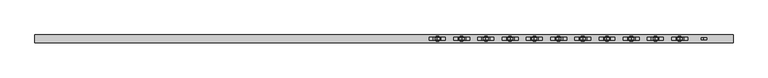
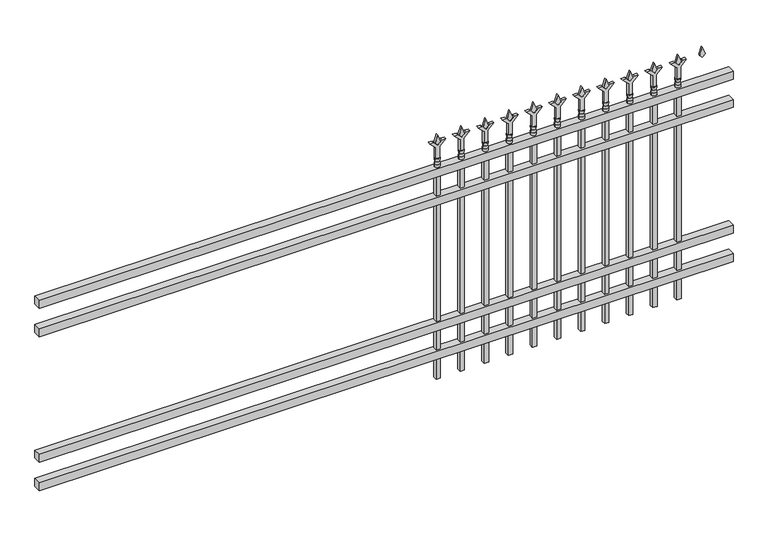
"""IFC4 building model written with IfcOpenShell, lengths in millimetres: railing geometry."""

from ifc_helpers import new_model, si_unit, frame, origin, place, context, project, spatial, polyline, circle_curve, outline, extrude, source, transform, mapped, element, save
from ifc_brep_helpers import plane_surface, cylinder_surface, revolved_surface, advanced_brep


def railing_22b94af2(model_context):
    return source(origin(), model_context, "Body", "SolidModel", [
        extrude(outline(polyline([(-79633.318087, -6748.7195174), (-79633.318087, -6713.7945174), (-76483.718087, -6713.7945174), (-76483.718087, -6748.7195174), (-79633.318087, -6748.7195174)])), frame((0.0, 0.0, 1028.7), z_axis=(0.0, 0.0, 1.0), x_axis=(1.0, 0.0, 0.0)), (0.0, 0.0, 1.0), 38.1),
        extrude(outline(polyline([(-79633.318087, -6748.7195174), (-79633.318087, -6713.7945174), (-76483.718087, -6713.7945174), (-76483.718087, -6748.7195174), (-79633.318087, -6748.7195174)])), frame((0.0, 0.0, 892.175), z_axis=(0.0, 0.0, 1.0), x_axis=(1.0, 0.0, 0.0)), (0.0, 0.0, 1.0), 38.1),
        extrude(outline(polyline([(-79633.318087, -6748.7195174), (-79633.318087, -6713.7945174), (-76483.718087, -6713.7945174), (-76483.718087, -6748.7195174), (-79633.318087, -6748.7195174)])), frame((0.0, 0.0, 288.925), z_axis=(0.0, 0.0, 1.0), x_axis=(1.0, 0.0, 0.0)), (0.0, 0.0, 1.0), 38.1),
        extrude(outline(polyline([(-79633.318087, -6748.7195174), (-79633.318087, -6713.7945174), (-76483.718087, -6713.7945174), (-76483.718087, -6748.7195174), (-79633.318087, -6748.7195174)])), frame((0.0, 0.0, 152.4), z_axis=(0.0, 0.0, 1.0), x_axis=(1.0, 0.0, 0.0)), (0.0, 0.0, 1.0), 38.1),
        extrude(outline(polyline([(1183.48125, -76712.8472536), (1219.2, -76724.7535036), (1183.48125, -76736.6597536), (1171.575, -76724.7535036), (1183.48125, -76712.8472536)])), frame((0.0, -6736.0195174, 0.0), z_axis=(0.0, 1.0, 0.0), x_axis=(0.0, 0.0, 1.0)), (0.0, 0.0, 1.0), 9.525),
        extrude(outline(polyline([(1108.075, -76716.0222536), (1162.3457378, -76716.0222536), (1189.5355122, -76688.8324791), (1189.5355122, -76706.7929914), (1171.575, -76724.7535036), (1189.5355122, -76742.7140159), (1189.5355122, -76760.6745281), (1162.3457378, -76733.4847536), (1108.075, -76733.4847536), (1108.075, -76716.0222536)])), frame((0.0, -6737.6070174, 0.0), z_axis=(0.0, 1.0, 0.0), x_axis=(0.0, 0.0, 1.0)), (0.0, 0.0, 1.0), 12.7),
        advanced_brep(
        [(-76712.8472536, -6731.2570174, 1079.5), (-76736.6597536, -6731.2570174, 1079.5), (-76736.6597536, -6731.2570174, 1066.8), (-76712.8472536, -6731.2570174, 1066.8), (-76715.0525855, -6731.2570174, 1092.0070585), (-76734.4544218, -6731.2570174, 1092.0070585), (-76712.8472536, -6731.2570174, 1108.075), (-76736.6597536, -6731.2570174, 1108.075), (-76724.7535036, -6731.2570174, 1108.075), (-76724.7535036, -6731.2570174, 1066.8)],
        [
            (0, 1, circle_curve(frame((-76724.7535036, -6731.2570174, 1079.5), z_axis=(0.0, 0.0, -1.0), x_axis=(-1.0, 0.0, 0.0)), 11.90625)),
            (1, 2),
            (2, 3, circle_curve(frame((-76724.7535036, -6731.2570174, 1066.8), z_axis=(0.0, 0.0, 1.0), x_axis=(-1.0, 0.0, 0.0)), 11.90625)),
            (3, 0),
            (1, 0, circle_curve(frame((-76724.7535036, -6731.2570174, 1079.5), z_axis=(0.0, 0.0, -1.0), x_axis=(-1.0, 0.0, 0.0)), 11.90625)),
            (3, 2, circle_curve(frame((-76724.7535036, -6731.2570174, 1066.8), z_axis=(0.0, 0.0, 1.0), x_axis=(-1.0, 0.0, 0.0)), 11.90625)),
            (4, 5, circle_curve(frame((-76724.7535036, -6731.2570174, 1092.0070585), z_axis=(0.0, 0.0, -1.0), x_axis=(-1.0, 0.0, 0.0)), 9.7009181)),
            (5, 1),
            (0, 4),
            (5, 4, circle_curve(frame((-76724.7535036, -6731.2570174, 1092.0070585), z_axis=(0.0, 0.0, -1.0), x_axis=(-1.0, 0.0, 0.0)), 9.7009181)),
            (6, 7, circle_curve(frame((-76724.7535036, -6731.2570174, 1108.075), z_axis=(0.0, 0.0, -1.0), x_axis=(-1.0, 0.0, 0.0)), 11.90625)),
            (7, 5),
            (4, 6),
            (7, 6, circle_curve(frame((-76724.7535036, -6731.2570174, 1108.075), z_axis=(0.0, 0.0, -1.0), x_axis=(-1.0, 0.0, 0.0)), 11.90625)),
            (8, 7),
            (6, 8),
            (2, 9),
            (9, 3),
        ],
        [
            cylinder_surface(frame((-76724.7535036, -6731.2570174, 1066.8), z_axis=(0.0, 0.0, 1.0), x_axis=(-1.0, 0.0, 0.0)), 11.90625),
            revolved_surface(polyline([(-76736.6597536, -6731.2570174, 1079.5), (-76734.4544218, -6731.2570174, 1092.0070585)]), (-76724.7535036, -6731.2570174, 1066.8), (0.0, 0.0, 1.0)),
            revolved_surface(polyline([(-76734.4544218, -6731.2570174, 1092.0070585), (-76736.6597536, -6731.2570174, 1108.075)]), (-76724.7535036, -6731.2570174, 1066.8), (0.0, 0.0, 1.0)),
            plane_surface(frame((-76724.7535036, -6731.2570174, 1108.075), z_axis=(0.0, 0.0, 1.0), x_axis=(-1.0, 0.0, 0.0))),
            plane_surface(frame((-76724.7535036, -6731.2570174, 1066.8), z_axis=(0.0, 0.0, -1.0), x_axis=(-1.0, 0.0, 0.0))),
        ],
        [
            (0, [[1, 2, 3, 4]]),
            (0, [[5, -4, 6, -2]]),
            (1, [[7, 8, -1, 9]]),
            (1, [[10, -9, -5, -8]]),
            (2, [[11, 12, -7, 13]]),
            (2, [[14, -13, -10, -12]]),
            (3, [[15, -11, 16]]),
            (3, [[-16, -14, -15]]),
            (4, [[-3, 17, 18]]),
            (4, [[-6, -18, -17]]),
        ],
    ),
        extrude(outline(polyline([(-76734.2785036, -6721.7320174), (-76715.2285036, -6721.7320174), (-76715.2285036, -6740.7820174), (-76734.2785036, -6740.7820174), (-76734.2785036, -6721.7320174)])), frame((0.0, 0.0, 50.8), z_axis=(0.0, 0.0, 1.0), x_axis=(1.0, 0.0, 0.0)), (0.0, 0.0, 1.0), 1016.0),
        extrude(outline(polyline([(1183.48125, -76822.1201703), (1219.2, -76834.0264203), (1183.48125, -76845.9326703), (1171.575, -76834.0264203), (1183.48125, -76822.1201703)])), frame((0.0, -6736.0195174, 0.0), z_axis=(0.0, 1.0, 0.0), x_axis=(0.0, 0.0, 1.0)), (0.0, 0.0, 1.0), 9.525),
        extrude(outline(polyline([(1108.075, -76825.2951703), (1162.3457378, -76825.2951703), (1189.5355122, -76798.1053958), (1189.5355122, -76816.0659081), (1171.575, -76834.0264203), (1189.5355122, -76851.9869325), (1189.5355122, -76869.9474448), (1162.3457378, -76842.7576703), (1108.075, -76842.7576703), (1108.075, -76825.2951703)])), frame((0.0, -6737.6070174, 0.0), z_axis=(0.0, 1.0, 0.0), x_axis=(0.0, 0.0, 1.0)), (0.0, 0.0, 1.0), 12.7),
        advanced_brep(
        [(-76822.1201703, -6731.2570174, 1079.5), (-76845.9326703, -6731.2570174, 1079.5), (-76845.9326703, -6731.2570174, 1066.8), (-76822.1201703, -6731.2570174, 1066.8), (-76824.3255022, -6731.2570174, 1092.0070585), (-76843.7273384, -6731.2570174, 1092.0070585), (-76822.1201703, -6731.2570174, 1108.075), (-76845.9326703, -6731.2570174, 1108.075), (-76834.0264203, -6731.2570174, 1108.075), (-76834.0264203, -6731.2570174, 1066.8)],
        [
            (0, 1, circle_curve(frame((-76834.0264203, -6731.2570174, 1079.5), z_axis=(0.0, 0.0, -1.0), x_axis=(-1.0, 0.0, 0.0)), 11.90625)),
            (1, 2),
            (2, 3, circle_curve(frame((-76834.0264203, -6731.2570174, 1066.8), z_axis=(0.0, 0.0, 1.0), x_axis=(-1.0, 0.0, 0.0)), 11.90625)),
            (3, 0),
            (1, 0, circle_curve(frame((-76834.0264203, -6731.2570174, 1079.5), z_axis=(0.0, 0.0, -1.0), x_axis=(-1.0, 0.0, 0.0)), 11.90625)),
            (3, 2, circle_curve(frame((-76834.0264203, -6731.2570174, 1066.8), z_axis=(0.0, 0.0, 1.0), x_axis=(-1.0, 0.0, 0.0)), 11.90625)),
            (4, 5, circle_curve(frame((-76834.0264203, -6731.2570174, 1092.0070585), z_axis=(0.0, 0.0, -1.0), x_axis=(-1.0, 0.0, 0.0)), 9.7009181)),
            (5, 1),
            (0, 4),
            (5, 4, circle_curve(frame((-76834.0264203, -6731.2570174, 1092.0070585), z_axis=(0.0, 0.0, -1.0), x_axis=(-1.0, 0.0, 0.0)), 9.7009181)),
            (6, 7, circle_curve(frame((-76834.0264203, -6731.2570174, 1108.075), z_axis=(0.0, 0.0, -1.0), x_axis=(-1.0, 0.0, 0.0)), 11.90625)),
            (7, 5),
            (4, 6),
            (7, 6, circle_curve(frame((-76834.0264203, -6731.2570174, 1108.075), z_axis=(0.0, 0.0, -1.0), x_axis=(-1.0, 0.0, 0.0)), 11.90625)),
            (8, 7),
            (6, 8),
            (2, 9),
            (9, 3),
        ],
        [
            cylinder_surface(frame((-76834.0264203, -6731.2570174, 1066.8), z_axis=(0.0, 0.0, 1.0), x_axis=(-1.0, 0.0, 0.0)), 11.90625),
            revolved_surface(polyline([(-76845.9326703, -6731.2570174, 1079.5), (-76843.7273384, -6731.2570174, 1092.0070585)]), (-76834.0264203, -6731.2570174, 1066.8), (0.0, 0.0, 1.0)),
            revolved_surface(polyline([(-76843.7273384, -6731.2570174, 1092.0070585), (-76845.9326703, -6731.2570174, 1108.075)]), (-76834.0264203, -6731.2570174, 1066.8), (0.0, 0.0, 1.0)),
            plane_surface(frame((-76834.0264203, -6731.2570174, 1108.075), z_axis=(0.0, 0.0, 1.0), x_axis=(-1.0, 0.0, 0.0))),
            plane_surface(frame((-76834.0264203, -6731.2570174, 1066.8), z_axis=(0.0, 0.0, -1.0), x_axis=(-1.0, 0.0, 0.0))),
        ],
        [
            (0, [[1, 2, 3, 4]]),
            (0, [[5, -4, 6, -2]]),
            (1, [[7, 8, -1, 9]]),
            (1, [[10, -9, -5, -8]]),
            (2, [[11, 12, -7, 13]]),
            (2, [[14, -13, -10, -12]]),
            (3, [[15, -11, 16]]),
            (3, [[-16, -14, -15]]),
            (4, [[-3, 17, 18]]),
            (4, [[-6, -18, -17]]),
        ],
    ),
        extrude(outline(polyline([(-76843.5514203, -6721.7320174), (-76824.5014203, -6721.7320174), (-76824.5014203, -6740.7820174), (-76843.5514203, -6740.7820174), (-76843.5514203, -6721.7320174)])), frame((0.0, 0.0, 50.8), z_axis=(0.0, 0.0, 1.0), x_axis=(1.0, 0.0, 0.0)), (0.0, 0.0, 1.0), 1016.0),
        extrude(outline(polyline([(1183.48125, -76931.393087), (1219.2, -76943.299337), (1183.48125, -76955.205587), (1171.575, -76943.299337), (1183.48125, -76931.393087)])), frame((0.0, -6736.0195174, 0.0), z_axis=(0.0, 1.0, 0.0), x_axis=(0.0, 0.0, 1.0)), (0.0, 0.0, 1.0), 9.525),
        extrude(outline(polyline([(1108.075, -76934.568087), (1162.3457378, -76934.568087), (1189.5355122, -76907.3783125), (1189.5355122, -76925.3388247), (1171.575, -76943.299337), (1189.5355122, -76961.2598492), (1189.5355122, -76979.2203614), (1162.3457378, -76952.030587), (1108.075, -76952.030587), (1108.075, -76934.568087)])), frame((0.0, -6737.6070174, 0.0), z_axis=(0.0, 1.0, 0.0), x_axis=(0.0, 0.0, 1.0)), (0.0, 0.0, 1.0), 12.7),
        advanced_brep(
        [(-76931.393087, -6731.2570174, 1079.5), (-76955.205587, -6731.2570174, 1079.5), (-76955.205587, -6731.2570174, 1066.8), (-76931.393087, -6731.2570174, 1066.8), (-76933.5984188, -6731.2570174, 1092.0070585), (-76953.0002551, -6731.2570174, 1092.0070585), (-76931.393087, -6731.2570174, 1108.075), (-76955.205587, -6731.2570174, 1108.075), (-76943.299337, -6731.2570174, 1108.075), (-76943.299337, -6731.2570174, 1066.8)],
        [
            (0, 1, circle_curve(frame((-76943.299337, -6731.2570174, 1079.5), z_axis=(0.0, 0.0, -1.0), x_axis=(-1.0, 0.0, 0.0)), 11.90625)),
            (1, 2),
            (2, 3, circle_curve(frame((-76943.299337, -6731.2570174, 1066.8), z_axis=(0.0, 0.0, 1.0), x_axis=(-1.0, 0.0, 0.0)), 11.90625)),
            (3, 0),
            (1, 0, circle_curve(frame((-76943.299337, -6731.2570174, 1079.5), z_axis=(0.0, 0.0, -1.0), x_axis=(-1.0, 0.0, 0.0)), 11.90625)),
            (3, 2, circle_curve(frame((-76943.299337, -6731.2570174, 1066.8), z_axis=(0.0, 0.0, 1.0), x_axis=(-1.0, 0.0, 0.0)), 11.90625)),
            (4, 5, circle_curve(frame((-76943.299337, -6731.2570174, 1092.0070585), z_axis=(0.0, 0.0, -1.0), x_axis=(-1.0, 0.0, 0.0)), 9.7009181)),
            (5, 1),
            (0, 4),
            (5, 4, circle_curve(frame((-76943.299337, -6731.2570174, 1092.0070585), z_axis=(0.0, 0.0, -1.0), x_axis=(-1.0, 0.0, 0.0)), 9.7009181)),
            (6, 7, circle_curve(frame((-76943.299337, -6731.2570174, 1108.075), z_axis=(0.0, 0.0, -1.0), x_axis=(-1.0, 0.0, 0.0)), 11.90625)),
            (7, 5),
            (4, 6),
            (7, 6, circle_curve(frame((-76943.299337, -6731.2570174, 1108.075), z_axis=(0.0, 0.0, -1.0), x_axis=(-1.0, 0.0, 0.0)), 11.90625)),
            (8, 7),
            (6, 8),
            (2, 9),
            (9, 3),
        ],
        [
            cylinder_surface(frame((-76943.299337, -6731.2570174, 1066.8), z_axis=(0.0, 0.0, 1.0), x_axis=(-1.0, 0.0, 0.0)), 11.90625),
            revolved_surface(polyline([(-76955.205587, -6731.2570174, 1079.5), (-76953.0002551, -6731.2570174, 1092.0070585)]), (-76943.299337, -6731.2570174, 1066.8), (0.0, 0.0, 1.0)),
            revolved_surface(polyline([(-76953.0002551, -6731.2570174, 1092.0070585), (-76955.205587, -6731.2570174, 1108.075)]), (-76943.299337, -6731.2570174, 1066.8), (0.0, 0.0, 1.0)),
            plane_surface(frame((-76943.299337, -6731.2570174, 1108.075), z_axis=(0.0, 0.0, 1.0), x_axis=(-1.0, 0.0, 0.0))),
            plane_surface(frame((-76943.299337, -6731.2570174, 1066.8), z_axis=(0.0, 0.0, -1.0), x_axis=(-1.0, 0.0, 0.0))),
        ],
        [
            (0, [[1, 2, 3, 4]]),
            (0, [[5, -4, 6, -2]]),
            (1, [[7, 8, -1, 9]]),
            (1, [[10, -9, -5, -8]]),
            (2, [[11, 12, -7, 13]]),
            (2, [[14, -13, -10, -12]]),
            (3, [[15, -11, 16]]),
            (3, [[-16, -14, -15]]),
            (4, [[-3, 17, 18]]),
            (4, [[-6, -18, -17]]),
        ],
    ),
        extrude(outline(polyline([(-76952.824337, -6721.7320174), (-76933.774337, -6721.7320174), (-76933.774337, -6740.7820174), (-76952.824337, -6740.7820174), (-76952.824337, -6721.7320174)])), frame((0.0, 0.0, 50.8), z_axis=(0.0, 0.0, 1.0), x_axis=(1.0, 0.0, 0.0)), (0.0, 0.0, 1.0), 1016.0),
        extrude(outline(polyline([(1183.48125, -77040.6660036), (1219.2, -77052.5722536), (1183.48125, -77064.4785036), (1171.575, -77052.5722536), (1183.48125, -77040.6660036)])), frame((0.0, -6736.0195174, 0.0), z_axis=(0.0, 1.0, 0.0), x_axis=(0.0, 0.0, 1.0)), (0.0, 0.0, 1.0), 9.525),
        extrude(outline(polyline([(1108.075, -77043.8410036), (1162.3457378, -77043.8410036), (1189.5355122, -77016.6512291), (1189.5355122, -77034.6117414), (1171.575, -77052.5722536), (1189.5355122, -77070.5327659), (1189.5355122, -77088.4932781), (1162.3457378, -77061.3035036), (1108.075, -77061.3035036), (1108.075, -77043.8410036)])), frame((0.0, -6737.6070174, 0.0), z_axis=(0.0, 1.0, 0.0), x_axis=(0.0, 0.0, 1.0)), (0.0, 0.0, 1.0), 12.7),
        advanced_brep(
        [(-77040.6660036, -6731.2570174, 1079.5), (-77064.4785036, -6731.2570174, 1079.5), (-77064.4785036, -6731.2570174, 1066.8), (-77040.6660036, -6731.2570174, 1066.8), (-77042.8713355, -6731.2570174, 1092.0070585), (-77062.2731718, -6731.2570174, 1092.0070585), (-77040.6660036, -6731.2570174, 1108.075), (-77064.4785036, -6731.2570174, 1108.075), (-77052.5722536, -6731.2570174, 1108.075), (-77052.5722536, -6731.2570174, 1066.8)],
        [
            (0, 1, circle_curve(frame((-77052.5722536, -6731.2570174, 1079.5), z_axis=(0.0, 0.0, -1.0), x_axis=(-1.0, 0.0, 0.0)), 11.90625)),
            (1, 2),
            (2, 3, circle_curve(frame((-77052.5722536, -6731.2570174, 1066.8), z_axis=(0.0, 0.0, 1.0), x_axis=(-1.0, 0.0, 0.0)), 11.90625)),
            (3, 0),
            (1, 0, circle_curve(frame((-77052.5722536, -6731.2570174, 1079.5), z_axis=(0.0, 0.0, -1.0), x_axis=(-1.0, 0.0, 0.0)), 11.90625)),
            (3, 2, circle_curve(frame((-77052.5722536, -6731.2570174, 1066.8), z_axis=(0.0, 0.0, 1.0), x_axis=(-1.0, 0.0, 0.0)), 11.90625)),
            (4, 5, circle_curve(frame((-77052.5722536, -6731.2570174, 1092.0070585), z_axis=(0.0, 0.0, -1.0), x_axis=(-1.0, 0.0, 0.0)), 9.7009181)),
            (5, 1),
            (0, 4),
            (5, 4, circle_curve(frame((-77052.5722536, -6731.2570174, 1092.0070585), z_axis=(0.0, 0.0, -1.0), x_axis=(-1.0, 0.0, 0.0)), 9.7009181)),
            (6, 7, circle_curve(frame((-77052.5722536, -6731.2570174, 1108.075), z_axis=(0.0, 0.0, -1.0), x_axis=(-1.0, 0.0, 0.0)), 11.90625)),
            (7, 5),
            (4, 6),
            (7, 6, circle_curve(frame((-77052.5722536, -6731.2570174, 1108.075), z_axis=(0.0, 0.0, -1.0), x_axis=(-1.0, 0.0, 0.0)), 11.90625)),
            (8, 7),
            (6, 8),
            (2, 9),
            (9, 3),
        ],
        [
            cylinder_surface(frame((-77052.5722536, -6731.2570174, 1066.8), z_axis=(0.0, 0.0, 1.0), x_axis=(-1.0, 0.0, 0.0)), 11.90625),
            revolved_surface(polyline([(-77064.4785036, -6731.2570174, 1079.5), (-77062.2731718, -6731.2570174, 1092.0070585)]), (-77052.5722536, -6731.2570174, 1066.8), (0.0, 0.0, 1.0)),
            revolved_surface(polyline([(-77062.2731718, -6731.2570174, 1092.0070585), (-77064.4785036, -6731.2570174, 1108.075)]), (-77052.5722536, -6731.2570174, 1066.8), (0.0, 0.0, 1.0)),
            plane_surface(frame((-77052.5722536, -6731.2570174, 1108.075), z_axis=(0.0, 0.0, 1.0), x_axis=(-1.0, 0.0, 0.0))),
            plane_surface(frame((-77052.5722536, -6731.2570174, 1066.8), z_axis=(0.0, 0.0, -1.0), x_axis=(-1.0, 0.0, 0.0))),
        ],
        [
            (0, [[1, 2, 3, 4]]),
            (0, [[5, -4, 6, -2]]),
            (1, [[7, 8, -1, 9]]),
            (1, [[10, -9, -5, -8]]),
            (2, [[11, 12, -7, 13]]),
            (2, [[14, -13, -10, -12]]),
            (3, [[15, -11, 16]]),
            (3, [[-16, -14, -15]]),
            (4, [[-3, 17, 18]]),
            (4, [[-6, -18, -17]]),
        ],
    ),
        extrude(outline(polyline([(-77062.0972536, -6721.7320174), (-77043.0472536, -6721.7320174), (-77043.0472536, -6740.7820174), (-77062.0972536, -6740.7820174), (-77062.0972536, -6721.7320174)])), frame((0.0, 0.0, 50.8), z_axis=(0.0, 0.0, 1.0), x_axis=(1.0, 0.0, 0.0)), (0.0, 0.0, 1.0), 1016.0),
        extrude(outline(polyline([(1183.48125, -77149.9389203), (1219.2, -77161.8451703), (1183.48125, -77173.7514203), (1171.575, -77161.8451703), (1183.48125, -77149.9389203)])), frame((0.0, -6736.0195174, 0.0), z_axis=(0.0, 1.0, 0.0), x_axis=(0.0, 0.0, 1.0)), (0.0, 0.0, 1.0), 9.525),
        extrude(outline(polyline([(1108.075, -77153.1139203), (1162.3457378, -77153.1139203), (1189.5355122, -77125.9241458), (1189.5355122, -77143.8846581), (1171.575, -77161.8451703), (1189.5355122, -77179.8056825), (1189.5355122, -77197.7661948), (1162.3457378, -77170.5764203), (1108.075, -77170.5764203), (1108.075, -77153.1139203)])), frame((0.0, -6737.6070174, 0.0), z_axis=(0.0, 1.0, 0.0), x_axis=(0.0, 0.0, 1.0)), (0.0, 0.0, 1.0), 12.7),
        advanced_brep(
        [(-77149.9389203, -6731.2570174, 1079.5), (-77173.7514203, -6731.2570174, 1079.5), (-77173.7514203, -6731.2570174, 1066.8), (-77149.9389203, -6731.2570174, 1066.8), (-77152.1442522, -6731.2570174, 1092.0070585), (-77171.5460884, -6731.2570174, 1092.0070585), (-77149.9389203, -6731.2570174, 1108.075), (-77173.7514203, -6731.2570174, 1108.075), (-77161.8451703, -6731.2570174, 1108.075), (-77161.8451703, -6731.2570174, 1066.8)],
        [
            (0, 1, circle_curve(frame((-77161.8451703, -6731.2570174, 1079.5), z_axis=(0.0, 0.0, -1.0), x_axis=(-1.0, 0.0, 0.0)), 11.90625)),
            (1, 2),
            (2, 3, circle_curve(frame((-77161.8451703, -6731.2570174, 1066.8), z_axis=(0.0, 0.0, 1.0), x_axis=(-1.0, 0.0, 0.0)), 11.90625)),
            (3, 0),
            (1, 0, circle_curve(frame((-77161.8451703, -6731.2570174, 1079.5), z_axis=(0.0, 0.0, -1.0), x_axis=(-1.0, 0.0, 0.0)), 11.90625)),
            (3, 2, circle_curve(frame((-77161.8451703, -6731.2570174, 1066.8), z_axis=(0.0, 0.0, 1.0), x_axis=(-1.0, 0.0, 0.0)), 11.90625)),
            (4, 5, circle_curve(frame((-77161.8451703, -6731.2570174, 1092.0070585), z_axis=(0.0, 0.0, -1.0), x_axis=(-1.0, 0.0, 0.0)), 9.7009181)),
            (5, 1),
            (0, 4),
            (5, 4, circle_curve(frame((-77161.8451703, -6731.2570174, 1092.0070585), z_axis=(0.0, 0.0, -1.0), x_axis=(-1.0, 0.0, 0.0)), 9.7009181)),
            (6, 7, circle_curve(frame((-77161.8451703, -6731.2570174, 1108.075), z_axis=(0.0, 0.0, -1.0), x_axis=(-1.0, 0.0, 0.0)), 11.90625)),
            (7, 5),
            (4, 6),
            (7, 6, circle_curve(frame((-77161.8451703, -6731.2570174, 1108.075), z_axis=(0.0, 0.0, -1.0), x_axis=(-1.0, 0.0, 0.0)), 11.90625)),
            (8, 7),
            (6, 8),
            (2, 9),
            (9, 3),
        ],
        [
            cylinder_surface(frame((-77161.8451703, -6731.2570174, 1066.8), z_axis=(0.0, 0.0, 1.0), x_axis=(-1.0, 0.0, 0.0)), 11.90625),
            revolved_surface(polyline([(-77173.7514203, -6731.2570174, 1079.5), (-77171.5460884, -6731.2570174, 1092.0070585)]), (-77161.8451703, -6731.2570174, 1066.8), (0.0, 0.0, 1.0)),
            revolved_surface(polyline([(-77171.5460884, -6731.2570174, 1092.0070585), (-77173.7514203, -6731.2570174, 1108.075)]), (-77161.8451703, -6731.2570174, 1066.8), (0.0, 0.0, 1.0)),
            plane_surface(frame((-77161.8451703, -6731.2570174, 1108.075), z_axis=(0.0, 0.0, 1.0), x_axis=(-1.0, 0.0, 0.0))),
            plane_surface(frame((-77161.8451703, -6731.2570174, 1066.8), z_axis=(0.0, 0.0, -1.0), x_axis=(-1.0, 0.0, 0.0))),
        ],
        [
            (0, [[1, 2, 3, 4]]),
            (0, [[5, -4, 6, -2]]),
            (1, [[7, 8, -1, 9]]),
            (1, [[10, -9, -5, -8]]),
            (2, [[11, 12, -7, 13]]),
            (2, [[14, -13, -10, -12]]),
            (3, [[15, -11, 16]]),
            (3, [[-16, -14, -15]]),
            (4, [[-3, 17, 18]]),
            (4, [[-6, -18, -17]]),
        ],
    ),
        extrude(outline(polyline([(-77171.3701703, -6721.7320174), (-77152.3201703, -6721.7320174), (-77152.3201703, -6740.7820174), (-77171.3701703, -6740.7820174), (-77171.3701703, -6721.7320174)])), frame((0.0, 0.0, 50.8), z_axis=(0.0, 0.0, 1.0), x_axis=(1.0, 0.0, 0.0)), (0.0, 0.0, 1.0), 1016.0),
        extrude(outline(polyline([(1183.48125, -77259.211837), (1219.2, -77271.118087), (1183.48125, -77283.024337), (1171.575, -77271.118087), (1183.48125, -77259.211837)])), frame((0.0, -6736.0195174, 0.0), z_axis=(0.0, 1.0, 0.0), x_axis=(0.0, 0.0, 1.0)), (0.0, 0.0, 1.0), 9.525),
        extrude(outline(polyline([(1108.075, -77262.386837), (1162.3457378, -77262.386837), (1189.5355122, -77235.1970625), (1189.5355122, -77253.1575747), (1171.575, -77271.118087), (1189.5355122, -77289.0785992), (1189.5355122, -77307.0391114), (1162.3457378, -77279.849337), (1108.075, -77279.849337), (1108.075, -77262.386837)])), frame((0.0, -6737.6070174, 0.0), z_axis=(0.0, 1.0, 0.0), x_axis=(0.0, 0.0, 1.0)), (0.0, 0.0, 1.0), 12.7),
        advanced_brep(
        [(-77259.211837, -6731.2570174, 1079.5), (-77283.024337, -6731.2570174, 1079.5), (-77283.024337, -6731.2570174, 1066.8), (-77259.211837, -6731.2570174, 1066.8), (-77261.4171688, -6731.2570174, 1092.0070585), (-77280.8190051, -6731.2570174, 1092.0070585), (-77259.211837, -6731.2570174, 1108.075), (-77283.024337, -6731.2570174, 1108.075), (-77271.118087, -6731.2570174, 1108.075), (-77271.118087, -6731.2570174, 1066.8)],
        [
            (0, 1, circle_curve(frame((-77271.118087, -6731.2570174, 1079.5), z_axis=(0.0, 0.0, -1.0), x_axis=(-1.0, 0.0, 0.0)), 11.90625)),
            (1, 2),
            (2, 3, circle_curve(frame((-77271.118087, -6731.2570174, 1066.8), z_axis=(0.0, 0.0, 1.0), x_axis=(-1.0, 0.0, 0.0)), 11.90625)),
            (3, 0),
            (1, 0, circle_curve(frame((-77271.118087, -6731.2570174, 1079.5), z_axis=(0.0, 0.0, -1.0), x_axis=(-1.0, 0.0, 0.0)), 11.90625)),
            (3, 2, circle_curve(frame((-77271.118087, -6731.2570174, 1066.8), z_axis=(0.0, 0.0, 1.0), x_axis=(-1.0, 0.0, 0.0)), 11.90625)),
            (4, 5, circle_curve(frame((-77271.118087, -6731.2570174, 1092.0070585), z_axis=(0.0, 0.0, -1.0), x_axis=(-1.0, 0.0, 0.0)), 9.7009181)),
            (5, 1),
            (0, 4),
            (5, 4, circle_curve(frame((-77271.118087, -6731.2570174, 1092.0070585), z_axis=(0.0, 0.0, -1.0), x_axis=(-1.0, 0.0, 0.0)), 9.7009181)),
            (6, 7, circle_curve(frame((-77271.118087, -6731.2570174, 1108.075), z_axis=(0.0, 0.0, -1.0), x_axis=(-1.0, 0.0, 0.0)), 11.90625)),
            (7, 5),
            (4, 6),
            (7, 6, circle_curve(frame((-77271.118087, -6731.2570174, 1108.075), z_axis=(0.0, 0.0, -1.0), x_axis=(-1.0, 0.0, 0.0)), 11.90625)),
            (8, 7),
            (6, 8),
            (2, 9),
            (9, 3),
        ],
        [
            cylinder_surface(frame((-77271.118087, -6731.2570174, 1066.8), z_axis=(0.0, 0.0, 1.0), x_axis=(-1.0, 0.0, 0.0)), 11.90625),
            revolved_surface(polyline([(-77283.024337, -6731.2570174, 1079.5), (-77280.8190051, -6731.2570174, 1092.0070585)]), (-77271.118087, -6731.2570174, 1066.8), (0.0, 0.0, 1.0)),
            revolved_surface(polyline([(-77280.8190051, -6731.2570174, 1092.0070585), (-77283.024337, -6731.2570174, 1108.075)]), (-77271.118087, -6731.2570174, 1066.8), (0.0, 0.0, 1.0)),
            plane_surface(frame((-77271.118087, -6731.2570174, 1108.075), z_axis=(0.0, 0.0, 1.0), x_axis=(-1.0, 0.0, 0.0))),
            plane_surface(frame((-77271.118087, -6731.2570174, 1066.8), z_axis=(0.0, 0.0, -1.0), x_axis=(-1.0, 0.0, 0.0))),
        ],
        [
            (0, [[1, 2, 3, 4]]),
            (0, [[5, -4, 6, -2]]),
            (1, [[7, 8, -1, 9]]),
            (1, [[10, -9, -5, -8]]),
            (2, [[11, 12, -7, 13]]),
            (2, [[14, -13, -10, -12]]),
            (3, [[15, -11, 16]]),
            (3, [[-16, -14, -15]]),
            (4, [[-3, 17, 18]]),
            (4, [[-6, -18, -17]]),
        ],
    ),
        extrude(outline(polyline([(-77280.643087, -6721.7320174), (-77261.593087, -6721.7320174), (-77261.593087, -6740.7820174), (-77280.643087, -6740.7820174), (-77280.643087, -6721.7320174)])), frame((0.0, 0.0, 50.8), z_axis=(0.0, 0.0, 1.0), x_axis=(1.0, 0.0, 0.0)), (0.0, 0.0, 1.0), 1016.0),
        extrude(outline(polyline([(1183.48125, -77368.4847536), (1219.2, -77380.3910036), (1183.48125, -77392.2972536), (1171.575, -77380.3910036), (1183.48125, -77368.4847536)])), frame((0.0, -6736.0195174, 0.0), z_axis=(0.0, 1.0, 0.0), x_axis=(0.0, 0.0, 1.0)), (0.0, 0.0, 1.0), 9.525),
        extrude(outline(polyline([(1108.075, -77371.6597536), (1162.3457378, -77371.6597536), (1189.5355122, -77344.4699791), (1189.5355122, -77362.4304914), (1171.575, -77380.3910036), (1189.5355122, -77398.3515159), (1189.5355122, -77416.3120281), (1162.3457378, -77389.1222536), (1108.075, -77389.1222536), (1108.075, -77371.6597536)])), frame((0.0, -6737.6070174, 0.0), z_axis=(0.0, 1.0, 0.0), x_axis=(0.0, 0.0, 1.0)), (0.0, 0.0, 1.0), 12.7),
        advanced_brep(
        [(-77368.4847536, -6731.2570174, 1079.5), (-77392.2972536, -6731.2570174, 1079.5), (-77392.2972536, -6731.2570174, 1066.8), (-77368.4847536, -6731.2570174, 1066.8), (-77370.6900855, -6731.2570174, 1092.0070585), (-77390.0919218, -6731.2570174, 1092.0070585), (-77368.4847536, -6731.2570174, 1108.075), (-77392.2972536, -6731.2570174, 1108.075), (-77380.3910036, -6731.2570174, 1108.075), (-77380.3910036, -6731.2570174, 1066.8)],
        [
            (0, 1, circle_curve(frame((-77380.3910036, -6731.2570174, 1079.5), z_axis=(0.0, 0.0, -1.0), x_axis=(-1.0, 0.0, 0.0)), 11.90625)),
            (1, 2),
            (2, 3, circle_curve(frame((-77380.3910036, -6731.2570174, 1066.8), z_axis=(0.0, 0.0, 1.0), x_axis=(-1.0, 0.0, 0.0)), 11.90625)),
            (3, 0),
            (1, 0, circle_curve(frame((-77380.3910036, -6731.2570174, 1079.5), z_axis=(0.0, 0.0, -1.0), x_axis=(-1.0, 0.0, 0.0)), 11.90625)),
            (3, 2, circle_curve(frame((-77380.3910036, -6731.2570174, 1066.8), z_axis=(0.0, 0.0, 1.0), x_axis=(-1.0, 0.0, 0.0)), 11.90625)),
            (4, 5, circle_curve(frame((-77380.3910036, -6731.2570174, 1092.0070585), z_axis=(0.0, 0.0, -1.0), x_axis=(-1.0, 0.0, 0.0)), 9.7009181)),
            (5, 1),
            (0, 4),
            (5, 4, circle_curve(frame((-77380.3910036, -6731.2570174, 1092.0070585), z_axis=(0.0, 0.0, -1.0), x_axis=(-1.0, 0.0, 0.0)), 9.7009181)),
            (6, 7, circle_curve(frame((-77380.3910036, -6731.2570174, 1108.075), z_axis=(0.0, 0.0, -1.0), x_axis=(-1.0, 0.0, 0.0)), 11.90625)),
            (7, 5),
            (4, 6),
            (7, 6, circle_curve(frame((-77380.3910036, -6731.2570174, 1108.075), z_axis=(0.0, 0.0, -1.0), x_axis=(-1.0, 0.0, 0.0)), 11.90625)),
            (8, 7),
            (6, 8),
            (2, 9),
            (9, 3),
        ],
        [
            cylinder_surface(frame((-77380.3910036, -6731.2570174, 1066.8), z_axis=(0.0, 0.0, 1.0), x_axis=(-1.0, 0.0, 0.0)), 11.90625),
            revolved_surface(polyline([(-77392.2972536, -6731.2570174, 1079.5), (-77390.0919218, -6731.2570174, 1092.0070585)]), (-77380.3910036, -6731.2570174, 1066.8), (0.0, 0.0, 1.0)),
            revolved_surface(polyline([(-77390.0919218, -6731.2570174, 1092.0070585), (-77392.2972536, -6731.2570174, 1108.075)]), (-77380.3910036, -6731.2570174, 1066.8), (0.0, 0.0, 1.0)),
            plane_surface(frame((-77380.3910036, -6731.2570174, 1108.075), z_axis=(0.0, 0.0, 1.0), x_axis=(-1.0, 0.0, 0.0))),
            plane_surface(frame((-77380.3910036, -6731.2570174, 1066.8), z_axis=(0.0, 0.0, -1.0), x_axis=(-1.0, 0.0, 0.0))),
        ],
        [
            (0, [[1, 2, 3, 4]]),
            (0, [[5, -4, 6, -2]]),
            (1, [[7, 8, -1, 9]]),
            (1, [[10, -9, -5, -8]]),
            (2, [[11, 12, -7, 13]]),
            (2, [[14, -13, -10, -12]]),
            (3, [[15, -11, 16]]),
            (3, [[-16, -14, -15]]),
            (4, [[-3, 17, 18]]),
            (4, [[-6, -18, -17]]),
        ],
    ),
        extrude(outline(polyline([(-77389.9160036, -6721.7320174), (-77370.8660036, -6721.7320174), (-77370.8660036, -6740.7820174), (-77389.9160036, -6740.7820174), (-77389.9160036, -6721.7320174)])), frame((0.0, 0.0, 50.8), z_axis=(0.0, 0.0, 1.0), x_axis=(1.0, 0.0, 0.0)), (0.0, 0.0, 1.0), 1016.0),
        extrude(outline(polyline([(1183.48125, -77477.7576703), (1219.2, -77489.6639203), (1183.48125, -77501.5701703), (1171.575, -77489.6639203), (1183.48125, -77477.7576703)])), frame((0.0, -6736.0195174, 0.0), z_axis=(0.0, 1.0, 0.0), x_axis=(0.0, 0.0, 1.0)), (0.0, 0.0, 1.0), 9.525),
        extrude(outline(polyline([(1108.075, -77480.9326703), (1162.3457378, -77480.9326703), (1189.5355122, -77453.7428958), (1189.5355122, -77471.7034081), (1171.575, -77489.6639203), (1189.5355122, -77507.6244325), (1189.5355122, -77525.5849448), (1162.3457378, -77498.3951703), (1108.075, -77498.3951703), (1108.075, -77480.9326703)])), frame((0.0, -6737.6070174, 0.0), z_axis=(0.0, 1.0, 0.0), x_axis=(0.0, 0.0, 1.0)), (0.0, 0.0, 1.0), 12.7),
        advanced_brep(
        [(-77477.7576703, -6731.2570174, 1079.5), (-77501.5701703, -6731.2570174, 1079.5), (-77501.5701703, -6731.2570174, 1066.8), (-77477.7576703, -6731.2570174, 1066.8), (-77479.9630022, -6731.2570174, 1092.0070585), (-77499.3648384, -6731.2570174, 1092.0070585), (-77477.7576703, -6731.2570174, 1108.075), (-77501.5701703, -6731.2570174, 1108.075), (-77489.6639203, -6731.2570174, 1108.075), (-77489.6639203, -6731.2570174, 1066.8)],
        [
            (0, 1, circle_curve(frame((-77489.6639203, -6731.2570174, 1079.5), z_axis=(0.0, 0.0, -1.0), x_axis=(-1.0, 0.0, 0.0)), 11.90625)),
            (1, 2),
            (2, 3, circle_curve(frame((-77489.6639203, -6731.2570174, 1066.8), z_axis=(0.0, 0.0, 1.0), x_axis=(-1.0, 0.0, 0.0)), 11.90625)),
            (3, 0),
            (1, 0, circle_curve(frame((-77489.6639203, -6731.2570174, 1079.5), z_axis=(0.0, 0.0, -1.0), x_axis=(-1.0, 0.0, 0.0)), 11.90625)),
            (3, 2, circle_curve(frame((-77489.6639203, -6731.2570174, 1066.8), z_axis=(0.0, 0.0, 1.0), x_axis=(-1.0, 0.0, 0.0)), 11.90625)),
            (4, 5, circle_curve(frame((-77489.6639203, -6731.2570174, 1092.0070585), z_axis=(0.0, 0.0, -1.0), x_axis=(-1.0, 0.0, 0.0)), 9.7009181)),
            (5, 1),
            (0, 4),
            (5, 4, circle_curve(frame((-77489.6639203, -6731.2570174, 1092.0070585), z_axis=(0.0, 0.0, -1.0), x_axis=(-1.0, 0.0, 0.0)), 9.7009181)),
            (6, 7, circle_curve(frame((-77489.6639203, -6731.2570174, 1108.075), z_axis=(0.0, 0.0, -1.0), x_axis=(-1.0, 0.0, 0.0)), 11.90625)),
            (7, 5),
            (4, 6),
            (7, 6, circle_curve(frame((-77489.6639203, -6731.2570174, 1108.075), z_axis=(0.0, 0.0, -1.0), x_axis=(-1.0, 0.0, 0.0)), 11.90625)),
            (8, 7),
            (6, 8),
            (2, 9),
            (9, 3),
        ],
        [
            cylinder_surface(frame((-77489.6639203, -6731.2570174, 1066.8), z_axis=(0.0, 0.0, 1.0), x_axis=(-1.0, 0.0, 0.0)), 11.90625),
            revolved_surface(polyline([(-77501.5701703, -6731.2570174, 1079.5), (-77499.3648384, -6731.2570174, 1092.0070585)]), (-77489.6639203, -6731.2570174, 1066.8), (0.0, 0.0, 1.0)),
            revolved_surface(polyline([(-77499.3648384, -6731.2570174, 1092.0070585), (-77501.5701703, -6731.2570174, 1108.075)]), (-77489.6639203, -6731.2570174, 1066.8), (0.0, 0.0, 1.0)),
            plane_surface(frame((-77489.6639203, -6731.2570174, 1108.075), z_axis=(0.0, 0.0, 1.0), x_axis=(-1.0, 0.0, 0.0))),
            plane_surface(frame((-77489.6639203, -6731.2570174, 1066.8), z_axis=(0.0, 0.0, -1.0), x_axis=(-1.0, 0.0, 0.0))),
        ],
        [
            (0, [[1, 2, 3, 4]]),
            (0, [[5, -4, 6, -2]]),
            (1, [[7, 8, -1, 9]]),
            (1, [[10, -9, -5, -8]]),
            (2, [[11, 12, -7, 13]]),
            (2, [[14, -13, -10, -12]]),
            (3, [[15, -11, 16]]),
            (3, [[-16, -14, -15]]),
            (4, [[-3, 17, 18]]),
            (4, [[-6, -18, -17]]),
        ],
    ),
        extrude(outline(polyline([(-77499.1889203, -6721.7320174), (-77480.1389203, -6721.7320174), (-77480.1389203, -6740.7820174), (-77499.1889203, -6740.7820174), (-77499.1889203, -6721.7320174)])), frame((0.0, 0.0, 50.8), z_axis=(0.0, 0.0, 1.0), x_axis=(1.0, 0.0, 0.0)), (0.0, 0.0, 1.0), 1016.0),
        extrude(outline(polyline([(1183.48125, -77587.030587), (1219.2, -77598.936837), (1183.48125, -77610.843087), (1171.575, -77598.936837), (1183.48125, -77587.030587)])), frame((0.0, -6736.0195174, 0.0), z_axis=(0.0, 1.0, 0.0), x_axis=(0.0, 0.0, 1.0)), (0.0, 0.0, 1.0), 9.525),
        extrude(outline(polyline([(1108.075, -77590.205587), (1162.3457378, -77590.205587), (1189.5355122, -77563.0158125), (1189.5355122, -77580.9763247), (1171.575, -77598.936837), (1189.5355122, -77616.8973492), (1189.5355122, -77634.8578614), (1162.3457378, -77607.668087), (1108.075, -77607.668087), (1108.075, -77590.205587)])), frame((0.0, -6737.6070174, 0.0), z_axis=(0.0, 1.0, 0.0), x_axis=(0.0, 0.0, 1.0)), (0.0, 0.0, 1.0), 12.7),
        advanced_brep(
        [(-77587.030587, -6731.2570174, 1079.5), (-77610.843087, -6731.2570174, 1079.5), (-77610.843087, -6731.2570174, 1066.8), (-77587.030587, -6731.2570174, 1066.8), (-77589.2359188, -6731.2570174, 1092.0070585), (-77608.6377551, -6731.2570174, 1092.0070585), (-77587.030587, -6731.2570174, 1108.075), (-77610.843087, -6731.2570174, 1108.075), (-77598.936837, -6731.2570174, 1108.075), (-77598.936837, -6731.2570174, 1066.8)],
        [
            (0, 1, circle_curve(frame((-77598.936837, -6731.2570174, 1079.5), z_axis=(0.0, 0.0, -1.0), x_axis=(-1.0, 0.0, 0.0)), 11.90625)),
            (1, 2),
            (2, 3, circle_curve(frame((-77598.936837, -6731.2570174, 1066.8), z_axis=(0.0, 0.0, 1.0), x_axis=(-1.0, 0.0, 0.0)), 11.90625)),
            (3, 0),
            (1, 0, circle_curve(frame((-77598.936837, -6731.2570174, 1079.5), z_axis=(0.0, 0.0, -1.0), x_axis=(-1.0, 0.0, 0.0)), 11.90625)),
            (3, 2, circle_curve(frame((-77598.936837, -6731.2570174, 1066.8), z_axis=(0.0, 0.0, 1.0), x_axis=(-1.0, 0.0, 0.0)), 11.90625)),
            (4, 5, circle_curve(frame((-77598.936837, -6731.2570174, 1092.0070585), z_axis=(0.0, 0.0, -1.0), x_axis=(-1.0, 0.0, 0.0)), 9.7009181)),
            (5, 1),
            (0, 4),
            (5, 4, circle_curve(frame((-77598.936837, -6731.2570174, 1092.0070585), z_axis=(0.0, 0.0, -1.0), x_axis=(-1.0, 0.0, 0.0)), 9.7009181)),
            (6, 7, circle_curve(frame((-77598.936837, -6731.2570174, 1108.075), z_axis=(0.0, 0.0, -1.0), x_axis=(-1.0, 0.0, 0.0)), 11.90625)),
            (7, 5),
            (4, 6),
            (7, 6, circle_curve(frame((-77598.936837, -6731.2570174, 1108.075), z_axis=(0.0, 0.0, -1.0), x_axis=(-1.0, 0.0, 0.0)), 11.90625)),
            (8, 7),
            (6, 8),
            (2, 9),
            (9, 3),
        ],
        [
            cylinder_surface(frame((-77598.936837, -6731.2570174, 1066.8), z_axis=(0.0, 0.0, 1.0), x_axis=(-1.0, 0.0, 0.0)), 11.90625),
            revolved_surface(polyline([(-77610.843087, -6731.2570174, 1079.5), (-77608.6377551, -6731.2570174, 1092.0070585)]), (-77598.936837, -6731.2570174, 1066.8), (0.0, 0.0, 1.0)),
            revolved_surface(polyline([(-77608.6377551, -6731.2570174, 1092.0070585), (-77610.843087, -6731.2570174, 1108.075)]), (-77598.936837, -6731.2570174, 1066.8), (0.0, 0.0, 1.0)),
            plane_surface(frame((-77598.936837, -6731.2570174, 1108.075), z_axis=(0.0, 0.0, 1.0), x_axis=(-1.0, 0.0, 0.0))),
            plane_surface(frame((-77598.936837, -6731.2570174, 1066.8), z_axis=(0.0, 0.0, -1.0), x_axis=(-1.0, 0.0, 0.0))),
        ],
        [
            (0, [[1, 2, 3, 4]]),
            (0, [[5, -4, 6, -2]]),
            (1, [[7, 8, -1, 9]]),
            (1, [[10, -9, -5, -8]]),
            (2, [[11, 12, -7, 13]]),
            (2, [[14, -13, -10, -12]]),
            (3, [[15, -11, 16]]),
            (3, [[-16, -14, -15]]),
            (4, [[-3, 17, 18]]),
            (4, [[-6, -18, -17]]),
        ],
    ),
        extrude(outline(polyline([(-77608.461837, -6721.7320174), (-77589.411837, -6721.7320174), (-77589.411837, -6740.7820174), (-77608.461837, -6740.7820174), (-77608.461837, -6721.7320174)])), frame((0.0, 0.0, 50.8), z_axis=(0.0, 0.0, 1.0), x_axis=(1.0, 0.0, 0.0)), (0.0, 0.0, 1.0), 1016.0),
        extrude(outline(polyline([(1183.48125, -77696.3035036), (1219.2, -77708.2097536), (1183.48125, -77720.1160036), (1171.575, -77708.2097536), (1183.48125, -77696.3035036)])), frame((0.0, -6736.0195174, 0.0), z_axis=(0.0, 1.0, 0.0), x_axis=(0.0, 0.0, 1.0)), (0.0, 0.0, 1.0), 9.525),
        extrude(outline(polyline([(1108.075, -77699.4785036), (1162.3457378, -77699.4785036), (1189.5355122, -77672.2887291), (1189.5355122, -77690.2492414), (1171.575, -77708.2097536), (1189.5355122, -77726.1702659), (1189.5355122, -77744.1307781), (1162.3457378, -77716.9410036), (1108.075, -77716.9410036), (1108.075, -77699.4785036)])), frame((0.0, -6737.6070174, 0.0), z_axis=(0.0, 1.0, 0.0), x_axis=(0.0, 0.0, 1.0)), (0.0, 0.0, 1.0), 12.7),
        advanced_brep(
        [(-77696.3035036, -6731.2570174, 1079.5), (-77720.1160036, -6731.2570174, 1079.5), (-77720.1160036, -6731.2570174, 1066.8), (-77696.3035036, -6731.2570174, 1066.8), (-77698.5088355, -6731.2570174, 1092.0070585), (-77717.9106718, -6731.2570174, 1092.0070585), (-77696.3035036, -6731.2570174, 1108.075), (-77720.1160036, -6731.2570174, 1108.075), (-77708.2097536, -6731.2570174, 1108.075), (-77708.2097536, -6731.2570174, 1066.8)],
        [
            (0, 1, circle_curve(frame((-77708.2097536, -6731.2570174, 1079.5), z_axis=(0.0, 0.0, -1.0), x_axis=(-1.0, 0.0, 0.0)), 11.90625)),
            (1, 2),
            (2, 3, circle_curve(frame((-77708.2097536, -6731.2570174, 1066.8), z_axis=(0.0, 0.0, 1.0), x_axis=(-1.0, 0.0, 0.0)), 11.90625)),
            (3, 0),
            (1, 0, circle_curve(frame((-77708.2097536, -6731.2570174, 1079.5), z_axis=(0.0, 0.0, -1.0), x_axis=(-1.0, 0.0, 0.0)), 11.90625)),
            (3, 2, circle_curve(frame((-77708.2097536, -6731.2570174, 1066.8), z_axis=(0.0, 0.0, 1.0), x_axis=(-1.0, 0.0, 0.0)), 11.90625)),
            (4, 5, circle_curve(frame((-77708.2097536, -6731.2570174, 1092.0070585), z_axis=(0.0, 0.0, -1.0), x_axis=(-1.0, 0.0, 0.0)), 9.7009181)),
            (5, 1),
            (0, 4),
            (5, 4, circle_curve(frame((-77708.2097536, -6731.2570174, 1092.0070585), z_axis=(0.0, 0.0, -1.0), x_axis=(-1.0, 0.0, 0.0)), 9.7009181)),
            (6, 7, circle_curve(frame((-77708.2097536, -6731.2570174, 1108.075), z_axis=(0.0, 0.0, -1.0), x_axis=(-1.0, 0.0, 0.0)), 11.90625)),
            (7, 5),
            (4, 6),
            (7, 6, circle_curve(frame((-77708.2097536, -6731.2570174, 1108.075), z_axis=(0.0, 0.0, -1.0), x_axis=(-1.0, 0.0, 0.0)), 11.90625)),
            (8, 7),
            (6, 8),
            (2, 9),
            (9, 3),
        ],
        [
            cylinder_surface(frame((-77708.2097536, -6731.2570174, 1066.8), z_axis=(0.0, 0.0, 1.0), x_axis=(-1.0, 0.0, 0.0)), 11.90625),
            revolved_surface(polyline([(-77720.1160036, -6731.2570174, 1079.5), (-77717.9106718, -6731.2570174, 1092.0070585)]), (-77708.2097536, -6731.2570174, 1066.8), (0.0, 0.0, 1.0)),
            revolved_surface(polyline([(-77717.9106718, -6731.2570174, 1092.0070585), (-77720.1160036, -6731.2570174, 1108.075)]), (-77708.2097536, -6731.2570174, 1066.8), (0.0, 0.0, 1.0)),
            plane_surface(frame((-77708.2097536, -6731.2570174, 1108.075), z_axis=(0.0, 0.0, 1.0), x_axis=(-1.0, 0.0, 0.0))),
            plane_surface(frame((-77708.2097536, -6731.2570174, 1066.8), z_axis=(0.0, 0.0, -1.0), x_axis=(-1.0, 0.0, 0.0))),
        ],
        [
            (0, [[1, 2, 3, 4]]),
            (0, [[5, -4, 6, -2]]),
            (1, [[7, 8, -1, 9]]),
            (1, [[10, -9, -5, -8]]),
            (2, [[11, 12, -7, 13]]),
            (2, [[14, -13, -10, -12]]),
            (3, [[15, -11, 16]]),
            (3, [[-16, -14, -15]]),
            (4, [[-3, 17, 18]]),
            (4, [[-6, -18, -17]]),
        ],
    ),
        extrude(outline(polyline([(-77717.7347536, -6721.7320174), (-77698.6847536, -6721.7320174), (-77698.6847536, -6740.7820174), (-77717.7347536, -6740.7820174), (-77717.7347536, -6721.7320174)])), frame((0.0, 0.0, 50.8), z_axis=(0.0, 0.0, 1.0), x_axis=(1.0, 0.0, 0.0)), (0.0, 0.0, 1.0), 1016.0),
        extrude(outline(polyline([(1183.48125, -77805.5764203), (1219.2, -77817.4826703), (1183.48125, -77829.3889203), (1171.575, -77817.4826703), (1183.48125, -77805.5764203)])), frame((0.0, -6736.0195174, 0.0), z_axis=(0.0, 1.0, 0.0), x_axis=(0.0, 0.0, 1.0)), (0.0, 0.0, 1.0), 9.525),
        extrude(outline(polyline([(1108.075, -77808.7514203), (1162.3457378, -77808.7514203), (1189.5355122, -77781.5616458), (1189.5355122, -77799.5221581), (1171.575, -77817.4826703), (1189.5355122, -77835.4431825), (1189.5355122, -77853.4036948), (1162.3457378, -77826.2139203), (1108.075, -77826.2139203), (1108.075, -77808.7514203)])), frame((0.0, -6737.6070174, 0.0), z_axis=(0.0, 1.0, 0.0), x_axis=(0.0, 0.0, 1.0)), (0.0, 0.0, 1.0), 12.7),
        advanced_brep(
        [(-77805.5764203, -6731.2570174, 1079.5), (-77829.3889203, -6731.2570174, 1079.5), (-77829.3889203, -6731.2570174, 1066.8), (-77805.5764203, -6731.2570174, 1066.8), (-77807.7817522, -6731.2570174, 1092.0070585), (-77827.1835884, -6731.2570174, 1092.0070585), (-77805.5764203, -6731.2570174, 1108.075), (-77829.3889203, -6731.2570174, 1108.075), (-77817.4826703, -6731.2570174, 1108.075), (-77817.4826703, -6731.2570174, 1066.8)],
        [
            (0, 1, circle_curve(frame((-77817.4826703, -6731.2570174, 1079.5), z_axis=(0.0, 0.0, -1.0), x_axis=(-1.0, 0.0, 0.0)), 11.90625)),
            (1, 2),
            (2, 3, circle_curve(frame((-77817.4826703, -6731.2570174, 1066.8), z_axis=(0.0, 0.0, 1.0), x_axis=(-1.0, 0.0, 0.0)), 11.90625)),
            (3, 0),
            (1, 0, circle_curve(frame((-77817.4826703, -6731.2570174, 1079.5), z_axis=(0.0, 0.0, -1.0), x_axis=(-1.0, 0.0, 0.0)), 11.90625)),
            (3, 2, circle_curve(frame((-77817.4826703, -6731.2570174, 1066.8), z_axis=(0.0, 0.0, 1.0), x_axis=(-1.0, 0.0, 0.0)), 11.90625)),
            (4, 5, circle_curve(frame((-77817.4826703, -6731.2570174, 1092.0070585), z_axis=(0.0, 0.0, -1.0), x_axis=(-1.0, 0.0, 0.0)), 9.7009181)),
            (5, 1),
            (0, 4),
            (5, 4, circle_curve(frame((-77817.4826703, -6731.2570174, 1092.0070585), z_axis=(0.0, 0.0, -1.0), x_axis=(-1.0, 0.0, 0.0)), 9.7009181)),
            (6, 7, circle_curve(frame((-77817.4826703, -6731.2570174, 1108.075), z_axis=(0.0, 0.0, -1.0), x_axis=(-1.0, 0.0, 0.0)), 11.90625)),
            (7, 5),
            (4, 6),
            (7, 6, circle_curve(frame((-77817.4826703, -6731.2570174, 1108.075), z_axis=(0.0, 0.0, -1.0), x_axis=(-1.0, 0.0, 0.0)), 11.90625)),
            (8, 7),
            (6, 8),
            (2, 9),
            (9, 3),
        ],
        [
            cylinder_surface(frame((-77817.4826703, -6731.2570174, 1066.8), z_axis=(0.0, 0.0, 1.0), x_axis=(-1.0, 0.0, 0.0)), 11.90625),
            revolved_surface(polyline([(-77829.3889203, -6731.2570174, 1079.5), (-77827.1835884, -6731.2570174, 1092.0070585)]), (-77817.4826703, -6731.2570174, 1066.8), (0.0, 0.0, 1.0)),
            revolved_surface(polyline([(-77827.1835884, -6731.2570174, 1092.0070585), (-77829.3889203, -6731.2570174, 1108.075)]), (-77817.4826703, -6731.2570174, 1066.8), (0.0, 0.0, 1.0)),
            plane_surface(frame((-77817.4826703, -6731.2570174, 1108.075), z_axis=(0.0, 0.0, 1.0), x_axis=(-1.0, 0.0, 0.0))),
            plane_surface(frame((-77817.4826703, -6731.2570174, 1066.8), z_axis=(0.0, 0.0, -1.0), x_axis=(-1.0, 0.0, 0.0))),
        ],
        [
            (0, [[1, 2, 3, 4]]),
            (0, [[5, -4, 6, -2]]),
            (1, [[7, 8, -1, 9]]),
            (1, [[10, -9, -5, -8]]),
            (2, [[11, 12, -7, 13]]),
            (2, [[14, -13, -10, -12]]),
            (3, [[15, -11, 16]]),
            (3, [[-16, -14, -15]]),
            (4, [[-3, 17, 18]]),
            (4, [[-6, -18, -17]]),
        ],
    ),
        extrude(outline(polyline([(-77827.0076703, -6721.7320174), (-77807.9576703, -6721.7320174), (-77807.9576703, -6740.7820174), (-77827.0076703, -6740.7820174), (-77827.0076703, -6721.7320174)])), frame((0.0, 0.0, 50.8), z_axis=(0.0, 0.0, 1.0), x_axis=(1.0, 0.0, 0.0)), (0.0, 0.0, 1.0), 1016.0),
        extrude(outline(polyline([(1183.48125, -76603.574337), (1219.2, -76615.480587), (1183.48125, -76627.386837), (1171.575, -76615.480587), (1183.48125, -76603.574337)])), frame((0.0, -6736.0195174, 0.0), z_axis=(0.0, 1.0, 0.0), x_axis=(0.0, 0.0, 1.0)), (0.0, 0.0, 1.0), 9.525),
    ])


if __name__ == "__main__":
    model = new_model("IFC4")
    model_context = context("Model", 3, world=origin())
    ifc_project = project(units=[si_unit("LENGTHUNIT", "METRE", prefix="MILLI")], contexts=[model_context])
    site = spatial("IfcSite", under=ifc_project)
    building = spatial("IfcBuilding", under=site)
    placement = place(None, origin())
    railing_shape = railing_22b94af2(model_context)
    element("IfcRailing", 1, at=placement, inside=building, context=model_context, shape_type="MappedRepresentation", body=[
        mapped(railing_shape, transform((0.0, 0.0, 0.0), x_axis=(1.0, 0.0, 0.0), y_axis=(0.0, 1.0, 0.0), z_axis=(0.0, 0.0, 1.0))),
    ])
    save(model, "model.ifc")
